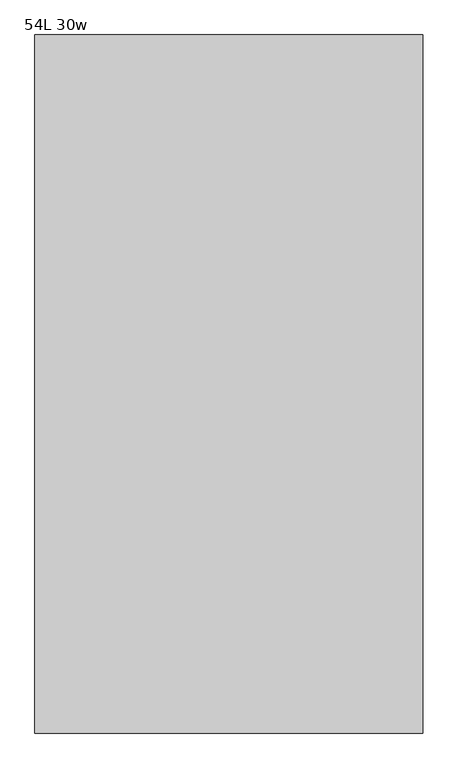
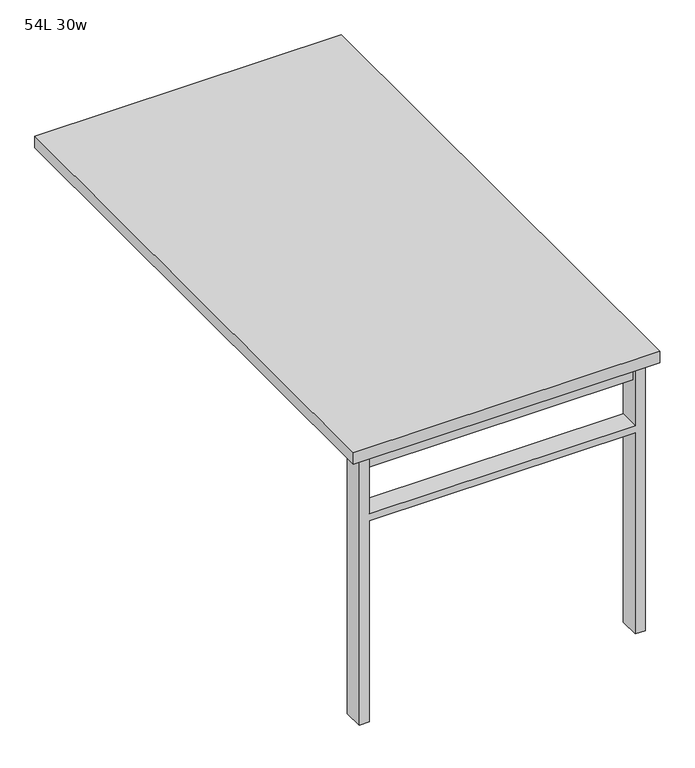
"""IFC4 building model written with IfcOpenShell, lengths in millimetres: furniture geometry, 54L 30w."""

from ifc_helpers import new_model, si_unit, frame, origin, place, context, project, spatial, polyline, outline, extrude, source, transform, mapped, element, save


def furniture_54l_30w_7f7fa267(model_context):
    return source(origin(), model_context, "Body", "SweptSolid", [
        extrude(outline(polyline([(-330.2, -625.475), (330.2, -625.475), (330.2, -657.225), (-330.2, -657.225), (-330.2, -625.475)])), frame((0.0, 0.0, 661.9875), z_axis=(0.0, 0.0, 1.0), x_axis=(1.0, 0.0, 0.0)), (0.0, 0.0, 1.0), 44.45),
        extrude(outline(polyline([(528.6375, 330.2), (0.0, 330.2), (0.0, 355.6), (706.4375, 355.6), (706.4375, 330.2), (547.6875, 330.2), (547.6875, -330.2), (706.4375, -330.2), (706.4375, -355.6), (0.0, -355.6), (0.0, -330.2), (528.6375, -330.2), (528.6375, 330.2)])), frame((0.0, -666.75, 0.0), z_axis=(0.0, 1.0, 0.0), x_axis=(0.0, 0.0, 1.0)), (0.0, 0.0, 1.0), 50.8),
        extrude(outline(polyline([(-381.0, -685.8), (-381.0, 685.8), (381.0, 685.8), (381.0, -685.8), (-381.0, -685.8)])), frame((0.0, 0.0, 706.4375), z_axis=(0.0, 0.0, 1.0), x_axis=(1.0, 0.0, 0.0)), (0.0, 0.0, 1.0), 30.1625),
    ])


if __name__ == "__main__":
    model = new_model("IFC4")
    model_context = context("Model", 3, world=origin())
    ifc_project = project(units=[si_unit("LENGTHUNIT", "METRE", prefix="MILLI")], contexts=[model_context])
    site = spatial("IfcSite", under=ifc_project)
    building = spatial("IfcBuilding", under=site)
    placement = place(None, origin())
    furniture_54l_30w_shape = furniture_54l_30w_7f7fa267(model_context)
    element("IfcFurniture", 1, ObjectType="54L 30w", at=placement, inside=building, context=model_context, shape_type="MappedRepresentation", body=[
        mapped(furniture_54l_30w_shape, transform((0.0, 0.0, 0.0), x_axis=(1.0, 0.0, 0.0), y_axis=(0.0, 1.0, 0.0), z_axis=(0.0, 0.0, 1.0))),
    ])
    save(model, "model.ifc")
